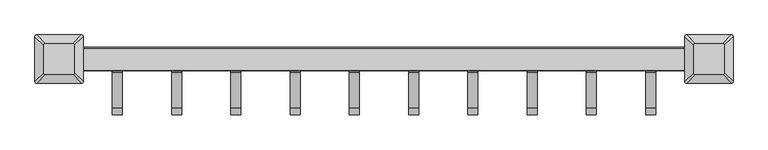
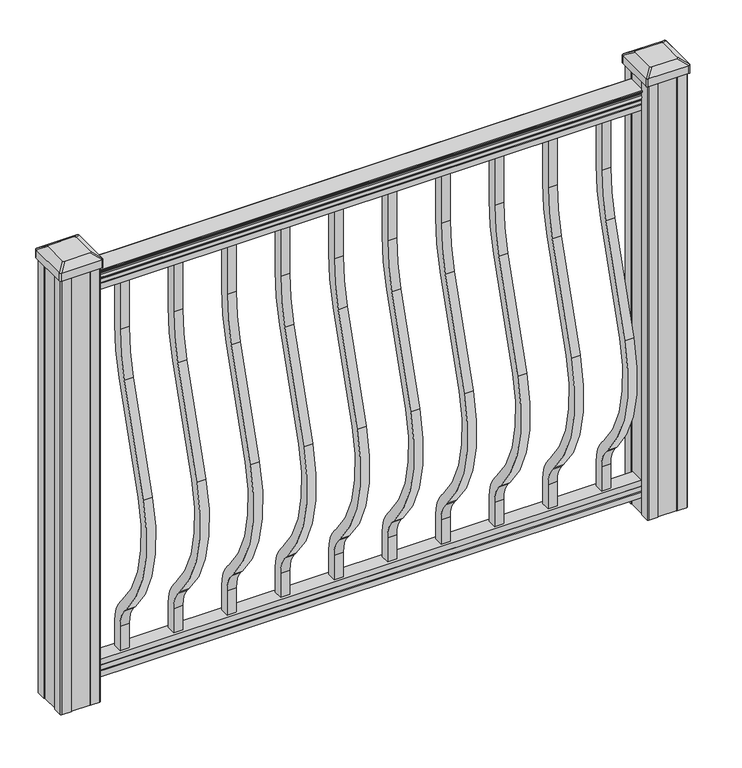
"""IFC4 building model written with IfcOpenShell, lengths in millimetres: proxy geometry."""

from ifc_helpers import new_model, si_unit, point, frame, frame_2d, origin, place, context, project, spatial, polyline, circle_curve, trimmed, segment, composite_curve, outline, extrude, source, transform, mapped, element, save
from ifc_brep_helpers import plane_surface, extruded_surface, advanced_brep


def specialty_equipment_56fbb6b7(model_context):
    return source(origin(), model_context, "Body", "SolidModel", [
        extrude(outline(composite_curve([segment(polyline([(9.525, 914.4), (9.525, 806.73216)]), True, "CONTINUOUS"), segment(trimmed(circle_curve(frame_2d((-360.0, 806.73216)), 369.525), [point((9.525, 806.73216))], [point((-6.6214851, 698.6935058))], False, "CARTESIAN"), True, "CONTINUOUS"), segment(polyline([(-6.6214851, 698.6935058), (-74.4487629, 476.8404766)]), True, "CONTINUOUS"), segment(trimmed(circle_curve(frame_2d((184.207766, 397.7612397)), 270.475), [point((-74.4487629, 476.8404766))], [point((-17.4747286, 217.5366659))], True, "CARTESIAN"), True, "CONTINUOUS"), segment(polyline([(-17.4747286, 217.5366659), (-11.9730553, 211.3799518)]), True, "CONTINUOUS"), segment(trimmed(circle_curve(frame_2d((-75.0, 155.0587313)), 84.525), [point((-11.9730553, 211.3799518))], [point((9.525, 155.0587313))], False, "CARTESIAN"), True, "CONTINUOUS"), segment(polyline([(9.525, 155.0587313), (9.525, 101.6), (-9.525, 101.6), (-9.525, 155.0587313)]), True, "CONTINUOUS"), segment(trimmed(circle_curve(frame_2d((-75.0, 155.0587313)), 65.475), [point((-9.525, 155.0587313))], [point((-26.1778858, 198.686438))], True, "CARTESIAN"), True, "CONTINUOUS"), segment(polyline([(-26.1778858, 198.686438), (-31.6795591, 204.8431522)]), True, "CONTINUOUS"), segment(trimmed(circle_curve(frame_2d((184.207766, 397.7612397)), 289.525), [point((-31.6795591, 204.8431522))], [point((-92.6663685, 482.4101576))], False, "CARTESIAN"), True, "CONTINUOUS"), segment(polyline([(-92.6663685, 482.4101576), (-24.8390907, 704.2631868)]), True, "CONTINUOUS"), segment(trimmed(circle_curve(frame_2d((-360.0, 806.73216)), 350.475), [point((-24.8390907, 704.2631868))], [point((-9.525, 806.73216))], True, "CARTESIAN"), True, "CONTINUOUS"), segment(polyline([(-9.525, 806.73216), (-9.525, 914.4), (9.525, 914.4)]), True, "CONTINUOUS")], self_intersect=False)), frame((379.4125, 0.0, 0.0), z_axis=(1.0, 0.0, 0.0), x_axis=(0.0, 1.0, 0.0)), (0.0, 0.0, 1.0), 19.05),
        extrude(outline(composite_curve([segment(polyline([(9.525, 914.4), (9.525, 806.73216)]), True, "CONTINUOUS"), segment(trimmed(circle_curve(frame_2d((-360.0, 806.73216)), 369.525), [point((9.525, 806.73216))], [point((-6.6214851, 698.6935058))], False, "CARTESIAN"), True, "CONTINUOUS"), segment(polyline([(-6.6214851, 698.6935058), (-74.4487629, 476.8404766)]), True, "CONTINUOUS"), segment(trimmed(circle_curve(frame_2d((184.207766, 397.7612397)), 270.475), [point((-74.4487629, 476.8404766))], [point((-17.4747286, 217.5366659))], True, "CARTESIAN"), True, "CONTINUOUS"), segment(polyline([(-17.4747286, 217.5366659), (-11.9730553, 211.3799518)]), True, "CONTINUOUS"), segment(trimmed(circle_curve(frame_2d((-75.0, 155.0587313)), 84.525), [point((-11.9730553, 211.3799518))], [point((9.525, 155.0587313))], False, "CARTESIAN"), True, "CONTINUOUS"), segment(polyline([(9.525, 155.0587313), (9.525, 101.6), (-9.525, 101.6), (-9.525, 155.0587313)]), True, "CONTINUOUS"), segment(trimmed(circle_curve(frame_2d((-75.0, 155.0587313)), 65.475), [point((-9.525, 155.0587313))], [point((-26.1778858, 198.686438))], True, "CARTESIAN"), True, "CONTINUOUS"), segment(polyline([(-26.1778858, 198.686438), (-31.6795591, 204.8431522)]), True, "CONTINUOUS"), segment(trimmed(circle_curve(frame_2d((184.207766, 397.7612397)), 289.525), [point((-31.6795591, 204.8431522))], [point((-92.6663685, 482.4101576))], False, "CARTESIAN"), True, "CONTINUOUS"), segment(polyline([(-92.6663685, 482.4101576), (-24.8390907, 704.2631868)]), True, "CONTINUOUS"), segment(trimmed(circle_curve(frame_2d((-360.0, 806.73216)), 350.475), [point((-24.8390907, 704.2631868))], [point((-9.525, 806.73216))], True, "CARTESIAN"), True, "CONTINUOUS"), segment(polyline([(-9.525, 806.73216), (-9.525, 914.4), (9.525, 914.4)]), True, "CONTINUOUS")], self_intersect=False)), frame((268.2875, 0.0, 0.0), z_axis=(1.0, 0.0, 0.0), x_axis=(0.0, 1.0, 0.0)), (0.0, 0.0, 1.0), 19.05),
        extrude(outline(composite_curve([segment(polyline([(9.525, 914.4), (9.525, 806.73216)]), True, "CONTINUOUS"), segment(trimmed(circle_curve(frame_2d((-360.0, 806.73216)), 369.525), [point((9.525, 806.73216))], [point((-6.6214851, 698.6935058))], False, "CARTESIAN"), True, "CONTINUOUS"), segment(polyline([(-6.6214851, 698.6935058), (-74.4487629, 476.8404766)]), True, "CONTINUOUS"), segment(trimmed(circle_curve(frame_2d((184.207766, 397.7612397)), 270.475), [point((-74.4487629, 476.8404766))], [point((-17.4747286, 217.5366659))], True, "CARTESIAN"), True, "CONTINUOUS"), segment(polyline([(-17.4747286, 217.5366659), (-11.9730553, 211.3799518)]), True, "CONTINUOUS"), segment(trimmed(circle_curve(frame_2d((-75.0, 155.0587313)), 84.525), [point((-11.9730553, 211.3799518))], [point((9.525, 155.0587313))], False, "CARTESIAN"), True, "CONTINUOUS"), segment(polyline([(9.525, 155.0587313), (9.525, 101.6), (-9.525, 101.6), (-9.525, 155.0587313)]), True, "CONTINUOUS"), segment(trimmed(circle_curve(frame_2d((-75.0, 155.0587313)), 65.475), [point((-9.525, 155.0587313))], [point((-26.1778858, 198.686438))], True, "CARTESIAN"), True, "CONTINUOUS"), segment(polyline([(-26.1778858, 198.686438), (-31.6795591, 204.8431522)]), True, "CONTINUOUS"), segment(trimmed(circle_curve(frame_2d((184.207766, 397.7612397)), 289.525), [point((-31.6795591, 204.8431522))], [point((-92.6663685, 482.4101576))], False, "CARTESIAN"), True, "CONTINUOUS"), segment(polyline([(-92.6663685, 482.4101576), (-24.8390907, 704.2631868)]), True, "CONTINUOUS"), segment(trimmed(circle_curve(frame_2d((-360.0, 806.73216)), 350.475), [point((-24.8390907, 704.2631868))], [point((-9.525, 806.73216))], True, "CARTESIAN"), True, "CONTINUOUS"), segment(polyline([(-9.525, 806.73216), (-9.525, 914.4), (9.525, 914.4)]), True, "CONTINUOUS")], self_intersect=False)), frame((157.1625, 0.0, 0.0), z_axis=(1.0, 0.0, 0.0), x_axis=(0.0, 1.0, 0.0)), (0.0, 0.0, 1.0), 19.05),
        extrude(outline(composite_curve([segment(polyline([(9.525, 914.4), (9.525, 806.73216)]), True, "CONTINUOUS"), segment(trimmed(circle_curve(frame_2d((-360.0, 806.73216)), 369.525), [point((9.525, 806.73216))], [point((-6.6214851, 698.6935058))], False, "CARTESIAN"), True, "CONTINUOUS"), segment(polyline([(-6.6214851, 698.6935058), (-74.4487629, 476.8404766)]), True, "CONTINUOUS"), segment(trimmed(circle_curve(frame_2d((184.207766, 397.7612397)), 270.475), [point((-74.4487629, 476.8404766))], [point((-17.4747286, 217.5366659))], True, "CARTESIAN"), True, "CONTINUOUS"), segment(polyline([(-17.4747286, 217.5366659), (-11.9730553, 211.3799518)]), True, "CONTINUOUS"), segment(trimmed(circle_curve(frame_2d((-75.0, 155.0587313)), 84.525), [point((-11.9730553, 211.3799518))], [point((9.525, 155.0587313))], False, "CARTESIAN"), True, "CONTINUOUS"), segment(polyline([(9.525, 155.0587313), (9.525, 101.6), (-9.525, 101.6), (-9.525, 155.0587313)]), True, "CONTINUOUS"), segment(trimmed(circle_curve(frame_2d((-75.0, 155.0587313)), 65.475), [point((-9.525, 155.0587313))], [point((-26.1778858, 198.686438))], True, "CARTESIAN"), True, "CONTINUOUS"), segment(polyline([(-26.1778858, 198.686438), (-31.6795591, 204.8431522)]), True, "CONTINUOUS"), segment(trimmed(circle_curve(frame_2d((184.207766, 397.7612397)), 289.525), [point((-31.6795591, 204.8431522))], [point((-92.6663685, 482.4101576))], False, "CARTESIAN"), True, "CONTINUOUS"), segment(polyline([(-92.6663685, 482.4101576), (-24.8390907, 704.2631868)]), True, "CONTINUOUS"), segment(trimmed(circle_curve(frame_2d((-360.0, 806.73216)), 350.475), [point((-24.8390907, 704.2631868))], [point((-9.525, 806.73216))], True, "CARTESIAN"), True, "CONTINUOUS"), segment(polyline([(-9.525, 806.73216), (-9.525, 914.4), (9.525, 914.4)]), True, "CONTINUOUS")], self_intersect=False)), frame((46.0375, 0.0, 0.0), z_axis=(1.0, 0.0, 0.0), x_axis=(0.0, 1.0, 0.0)), (0.0, 0.0, 1.0), 19.05),
        extrude(outline(composite_curve([segment(polyline([(9.525, 914.4), (9.525, 806.73216)]), True, "CONTINUOUS"), segment(trimmed(circle_curve(frame_2d((-360.0, 806.73216)), 369.525), [point((9.525, 806.73216))], [point((-6.6214851, 698.6935058))], False, "CARTESIAN"), True, "CONTINUOUS"), segment(polyline([(-6.6214851, 698.6935058), (-74.4487629, 476.8404766)]), True, "CONTINUOUS"), segment(trimmed(circle_curve(frame_2d((184.207766, 397.7612397)), 270.475), [point((-74.4487629, 476.8404766))], [point((-17.4747286, 217.5366659))], True, "CARTESIAN"), True, "CONTINUOUS"), segment(polyline([(-17.4747286, 217.5366659), (-11.9730553, 211.3799518)]), True, "CONTINUOUS"), segment(trimmed(circle_curve(frame_2d((-75.0, 155.0587313)), 84.525), [point((-11.9730553, 211.3799518))], [point((9.525, 155.0587313))], False, "CARTESIAN"), True, "CONTINUOUS"), segment(polyline([(9.525, 155.0587313), (9.525, 101.6), (-9.525, 101.6), (-9.525, 155.0587313)]), True, "CONTINUOUS"), segment(trimmed(circle_curve(frame_2d((-75.0, 155.0587313)), 65.475), [point((-9.525, 155.0587313))], [point((-26.1778858, 198.686438))], True, "CARTESIAN"), True, "CONTINUOUS"), segment(polyline([(-26.1778858, 198.686438), (-31.6795591, 204.8431522)]), True, "CONTINUOUS"), segment(trimmed(circle_curve(frame_2d((184.207766, 397.7612397)), 289.525), [point((-31.6795591, 204.8431522))], [point((-92.6663685, 482.4101576))], False, "CARTESIAN"), True, "CONTINUOUS"), segment(polyline([(-92.6663685, 482.4101576), (-24.8390907, 704.2631868)]), True, "CONTINUOUS"), segment(trimmed(circle_curve(frame_2d((-360.0, 806.73216)), 350.475), [point((-24.8390907, 704.2631868))], [point((-9.525, 806.73216))], True, "CARTESIAN"), True, "CONTINUOUS"), segment(polyline([(-9.525, 806.73216), (-9.525, 914.4), (9.525, 914.4)]), True, "CONTINUOUS")], self_intersect=False)), frame((-65.0875, 0.0, 0.0), z_axis=(1.0, 0.0, 0.0), x_axis=(0.0, 1.0, 0.0)), (0.0, 0.0, 1.0), 19.05),
        extrude(outline(composite_curve([segment(polyline([(9.525, 914.4), (9.525, 806.73216)]), True, "CONTINUOUS"), segment(trimmed(circle_curve(frame_2d((-360.0, 806.73216)), 369.525), [point((9.525, 806.73216))], [point((-6.6214851, 698.6935058))], False, "CARTESIAN"), True, "CONTINUOUS"), segment(polyline([(-6.6214851, 698.6935058), (-74.4487629, 476.8404766)]), True, "CONTINUOUS"), segment(trimmed(circle_curve(frame_2d((184.207766, 397.7612397)), 270.475), [point((-74.4487629, 476.8404766))], [point((-17.4747286, 217.5366659))], True, "CARTESIAN"), True, "CONTINUOUS"), segment(polyline([(-17.4747286, 217.5366659), (-11.9730553, 211.3799518)]), True, "CONTINUOUS"), segment(trimmed(circle_curve(frame_2d((-75.0, 155.0587313)), 84.525), [point((-11.9730553, 211.3799518))], [point((9.525, 155.0587313))], False, "CARTESIAN"), True, "CONTINUOUS"), segment(polyline([(9.525, 155.0587313), (9.525, 101.6), (-9.525, 101.6), (-9.525, 155.0587313)]), True, "CONTINUOUS"), segment(trimmed(circle_curve(frame_2d((-75.0, 155.0587313)), 65.475), [point((-9.525, 155.0587313))], [point((-26.1778858, 198.686438))], True, "CARTESIAN"), True, "CONTINUOUS"), segment(polyline([(-26.1778858, 198.686438), (-31.6795591, 204.8431522)]), True, "CONTINUOUS"), segment(trimmed(circle_curve(frame_2d((184.207766, 397.7612397)), 289.525), [point((-31.6795591, 204.8431522))], [point((-92.6663685, 482.4101576))], False, "CARTESIAN"), True, "CONTINUOUS"), segment(polyline([(-92.6663685, 482.4101576), (-24.8390907, 704.2631868)]), True, "CONTINUOUS"), segment(trimmed(circle_curve(frame_2d((-360.0, 806.73216)), 350.475), [point((-24.8390907, 704.2631868))], [point((-9.525, 806.73216))], True, "CARTESIAN"), True, "CONTINUOUS"), segment(polyline([(-9.525, 806.73216), (-9.525, 914.4), (9.525, 914.4)]), True, "CONTINUOUS")], self_intersect=False)), frame((-176.2125, 0.0, 0.0), z_axis=(1.0, 0.0, 0.0), x_axis=(0.0, 1.0, 0.0)), (0.0, 0.0, 1.0), 19.05),
        extrude(outline(composite_curve([segment(polyline([(9.525, 914.4), (9.525, 806.73216)]), True, "CONTINUOUS"), segment(trimmed(circle_curve(frame_2d((-360.0, 806.73216)), 369.525), [point((9.525, 806.73216))], [point((-6.6214851, 698.6935058))], False, "CARTESIAN"), True, "CONTINUOUS"), segment(polyline([(-6.6214851, 698.6935058), (-74.4487629, 476.8404766)]), True, "CONTINUOUS"), segment(trimmed(circle_curve(frame_2d((184.207766, 397.7612397)), 270.475), [point((-74.4487629, 476.8404766))], [point((-17.4747286, 217.5366659))], True, "CARTESIAN"), True, "CONTINUOUS"), segment(polyline([(-17.4747286, 217.5366659), (-11.9730553, 211.3799518)]), True, "CONTINUOUS"), segment(trimmed(circle_curve(frame_2d((-75.0, 155.0587313)), 84.525), [point((-11.9730553, 211.3799518))], [point((9.525, 155.0587313))], False, "CARTESIAN"), True, "CONTINUOUS"), segment(polyline([(9.525, 155.0587313), (9.525, 101.6), (-9.525, 101.6), (-9.525, 155.0587313)]), True, "CONTINUOUS"), segment(trimmed(circle_curve(frame_2d((-75.0, 155.0587313)), 65.475), [point((-9.525, 155.0587313))], [point((-26.1778858, 198.686438))], True, "CARTESIAN"), True, "CONTINUOUS"), segment(polyline([(-26.1778858, 198.686438), (-31.6795591, 204.8431522)]), True, "CONTINUOUS"), segment(trimmed(circle_curve(frame_2d((184.207766, 397.7612397)), 289.525), [point((-31.6795591, 204.8431522))], [point((-92.6663685, 482.4101576))], False, "CARTESIAN"), True, "CONTINUOUS"), segment(polyline([(-92.6663685, 482.4101576), (-24.8390907, 704.2631868)]), True, "CONTINUOUS"), segment(trimmed(circle_curve(frame_2d((-360.0, 806.73216)), 350.475), [point((-24.8390907, 704.2631868))], [point((-9.525, 806.73216))], True, "CARTESIAN"), True, "CONTINUOUS"), segment(polyline([(-9.525, 806.73216), (-9.525, 914.4), (9.525, 914.4)]), True, "CONTINUOUS")], self_intersect=False)), frame((-287.3375, 0.0, 0.0), z_axis=(1.0, 0.0, 0.0), x_axis=(0.0, 1.0, 0.0)), (0.0, 0.0, 1.0), 19.05),
        extrude(outline(composite_curve([segment(polyline([(9.525, 914.4), (9.525, 806.73216)]), True, "CONTINUOUS"), segment(trimmed(circle_curve(frame_2d((-360.0, 806.73216)), 369.525), [point((9.525, 806.73216))], [point((-6.6214851, 698.6935058))], False, "CARTESIAN"), True, "CONTINUOUS"), segment(polyline([(-6.6214851, 698.6935058), (-74.4487629, 476.8404766)]), True, "CONTINUOUS"), segment(trimmed(circle_curve(frame_2d((184.207766, 397.7612397)), 270.475), [point((-74.4487629, 476.8404766))], [point((-17.4747286, 217.5366659))], True, "CARTESIAN"), True, "CONTINUOUS"), segment(polyline([(-17.4747286, 217.5366659), (-11.9730553, 211.3799518)]), True, "CONTINUOUS"), segment(trimmed(circle_curve(frame_2d((-75.0, 155.0587313)), 84.525), [point((-11.9730553, 211.3799518))], [point((9.525, 155.0587313))], False, "CARTESIAN"), True, "CONTINUOUS"), segment(polyline([(9.525, 155.0587313), (9.525, 101.6), (-9.525, 101.6), (-9.525, 155.0587313)]), True, "CONTINUOUS"), segment(trimmed(circle_curve(frame_2d((-75.0, 155.0587313)), 65.475), [point((-9.525, 155.0587313))], [point((-26.1778858, 198.686438))], True, "CARTESIAN"), True, "CONTINUOUS"), segment(polyline([(-26.1778858, 198.686438), (-31.6795591, 204.8431522)]), True, "CONTINUOUS"), segment(trimmed(circle_curve(frame_2d((184.207766, 397.7612397)), 289.525), [point((-31.6795591, 204.8431522))], [point((-92.6663685, 482.4101576))], False, "CARTESIAN"), True, "CONTINUOUS"), segment(polyline([(-92.6663685, 482.4101576), (-24.8390907, 704.2631868)]), True, "CONTINUOUS"), segment(trimmed(circle_curve(frame_2d((-360.0, 806.73216)), 350.475), [point((-24.8390907, 704.2631868))], [point((-9.525, 806.73216))], True, "CARTESIAN"), True, "CONTINUOUS"), segment(polyline([(-9.525, 806.73216), (-9.525, 914.4), (9.525, 914.4)]), True, "CONTINUOUS")], self_intersect=False)), frame((-398.4625, 0.0, 0.0), z_axis=(1.0, 0.0, 0.0), x_axis=(0.0, 1.0, 0.0)), (0.0, 0.0, 1.0), 19.05),
        extrude(outline(composite_curve([segment(polyline([(9.525, 914.4), (9.525, 806.73216)]), True, "CONTINUOUS"), segment(trimmed(circle_curve(frame_2d((-360.0, 806.73216)), 369.525), [point((9.525, 806.73216))], [point((-6.6214851, 698.6935058))], False, "CARTESIAN"), True, "CONTINUOUS"), segment(polyline([(-6.6214851, 698.6935058), (-74.4487629, 476.8404766)]), True, "CONTINUOUS"), segment(trimmed(circle_curve(frame_2d((184.207766, 397.7612397)), 270.475), [point((-74.4487629, 476.8404766))], [point((-17.4747286, 217.5366659))], True, "CARTESIAN"), True, "CONTINUOUS"), segment(polyline([(-17.4747286, 217.5366659), (-11.9730553, 211.3799518)]), True, "CONTINUOUS"), segment(trimmed(circle_curve(frame_2d((-75.0, 155.0587313)), 84.525), [point((-11.9730553, 211.3799518))], [point((9.525, 155.0587313))], False, "CARTESIAN"), True, "CONTINUOUS"), segment(polyline([(9.525, 155.0587313), (9.525, 101.6), (-9.525, 101.6), (-9.525, 155.0587313)]), True, "CONTINUOUS"), segment(trimmed(circle_curve(frame_2d((-75.0, 155.0587313)), 65.475), [point((-9.525, 155.0587313))], [point((-26.1778858, 198.686438))], True, "CARTESIAN"), True, "CONTINUOUS"), segment(polyline([(-26.1778858, 198.686438), (-31.6795591, 204.8431522)]), True, "CONTINUOUS"), segment(trimmed(circle_curve(frame_2d((184.207766, 397.7612397)), 289.525), [point((-31.6795591, 204.8431522))], [point((-92.6663685, 482.4101576))], False, "CARTESIAN"), True, "CONTINUOUS"), segment(polyline([(-92.6663685, 482.4101576), (-24.8390907, 704.2631868)]), True, "CONTINUOUS"), segment(trimmed(circle_curve(frame_2d((-360.0, 806.73216)), 350.475), [point((-24.8390907, 704.2631868))], [point((-9.525, 806.73216))], True, "CARTESIAN"), True, "CONTINUOUS"), segment(polyline([(-9.525, 806.73216), (-9.525, 914.4), (9.525, 914.4)]), True, "CONTINUOUS")], self_intersect=False)), frame((490.5375, 0.0, 0.0), z_axis=(1.0, 0.0, 0.0), x_axis=(0.0, 1.0, 0.0)), (0.0, 0.0, 1.0), 19.05),
        extrude(outline(composite_curve([segment(polyline([(9.525, 914.4), (9.525, 806.73216)]), True, "CONTINUOUS"), segment(trimmed(circle_curve(frame_2d((-360.0, 806.73216)), 369.525), [point((9.525, 806.73216))], [point((-6.6214851, 698.6935058))], False, "CARTESIAN"), True, "CONTINUOUS"), segment(polyline([(-6.6214851, 698.6935058), (-74.4487629, 476.8404766)]), True, "CONTINUOUS"), segment(trimmed(circle_curve(frame_2d((184.207766, 397.7612397)), 270.475), [point((-74.4487629, 476.8404766))], [point((-17.4747286, 217.5366659))], True, "CARTESIAN"), True, "CONTINUOUS"), segment(polyline([(-17.4747286, 217.5366659), (-11.9730553, 211.3799518)]), True, "CONTINUOUS"), segment(trimmed(circle_curve(frame_2d((-75.0, 155.0587313)), 84.525), [point((-11.9730553, 211.3799518))], [point((9.525, 155.0587313))], False, "CARTESIAN"), True, "CONTINUOUS"), segment(polyline([(9.525, 155.0587313), (9.525, 101.6), (-9.525, 101.6), (-9.525, 155.0587313)]), True, "CONTINUOUS"), segment(trimmed(circle_curve(frame_2d((-75.0, 155.0587313)), 65.475), [point((-9.525, 155.0587313))], [point((-26.1778858, 198.686438))], True, "CARTESIAN"), True, "CONTINUOUS"), segment(polyline([(-26.1778858, 198.686438), (-31.6795591, 204.8431522)]), True, "CONTINUOUS"), segment(trimmed(circle_curve(frame_2d((184.207766, 397.7612397)), 289.525), [point((-31.6795591, 204.8431522))], [point((-92.6663685, 482.4101576))], False, "CARTESIAN"), True, "CONTINUOUS"), segment(polyline([(-92.6663685, 482.4101576), (-24.8390907, 704.2631868)]), True, "CONTINUOUS"), segment(trimmed(circle_curve(frame_2d((-360.0, 806.73216)), 350.475), [point((-24.8390907, 704.2631868))], [point((-9.525, 806.73216))], True, "CARTESIAN"), True, "CONTINUOUS"), segment(polyline([(-9.525, 806.73216), (-9.525, 914.4), (9.525, 914.4)]), True, "CONTINUOUS")], self_intersect=False)), frame((-509.5875, 0.0, 0.0), z_axis=(1.0, 0.0, 0.0), x_axis=(0.0, 1.0, 0.0)), (0.0, 0.0, 1.0), 19.05),
        extrude(outline(composite_curve([segment(polyline([(938.4043297, 17.4328287), (940.292412, 17.4328287)]), True, "CONTINUOUS"), segment(trimmed(circle_curve(frame_2d((946.0506383, 11.1180755)), 8.545951), [point((940.292412, 17.4328287))], [point((941.8546695, 18.563015))], False, "CARTESIAN"), True, "CONTINUOUS"), segment(trimmed(circle_curve(frame_2d((945.4636577, 11.5551384)), 7.882584), [point((941.8546695, 18.563015))], [point((949.0726458, 18.563015))], False, "CARTESIAN"), True, "CONTINUOUS"), segment(trimmed(circle_curve(frame_2d((951.3112527, 22.0684625)), 4.1592695), [point((949.0726458, 18.563015))], [point((951.5060812, 17.9137586))], True, "CARTESIAN"), True, "CONTINUOUS"), segment(trimmed(circle_curve(frame_2d((951.2508864, 23.3557691)), 5.4479907), [point((951.5060812, 17.9137586))], [point((955.8362083, 20.4137586))], True, "CARTESIAN"), True, "CONTINUOUS"), segment(trimmed(circle_curve(frame_2d((955.833395, 22.1226107)), 1.7088543), [point((955.8362083, 20.4137586))], [point((957.5157972, 21.8231011))], True, "CARTESIAN"), True, "CONTINUOUS"), segment(trimmed(circle_curve(frame_2d((958.6205318, 20.5057106)), 1.7192895), [point((957.5157972, 21.8231011))], [point((958.6205318, 22.2250001))], False, "CARTESIAN"), True, "CONTINUOUS"), segment(polyline([(958.6205318, 22.2250001), (959.9608158, 22.225)]), True, "CONTINUOUS"), segment(trimmed(circle_curve(frame_2d((959.9608158, 20.6715528)), 1.5534472), [point((959.9608158, 22.225))], [point((961.514263, 20.6715528))], False, "CARTESIAN"), True, "CONTINUOUS"), segment(polyline([(961.514263, 20.6715528), (961.514263, -20.6715528)]), True, "CONTINUOUS"), segment(trimmed(circle_curve(frame_2d((959.9608158, -20.6715528)), 1.5534472), [point((961.514263, -20.6715528))], [point((959.9608158, -22.225))], False, "CARTESIAN"), True, "CONTINUOUS"), segment(polyline([(959.9608158, -22.225), (958.6205318, -22.225)]), True, "CONTINUOUS"), segment(trimmed(circle_curve(frame_2d((958.6205318, -20.5057106)), 1.7192895), [point((958.6205318, -22.225))], [point((957.5157972, -21.8231011))], False, "CARTESIAN"), True, "CONTINUOUS"), segment(trimmed(circle_curve(frame_2d((955.833395, -22.1226107)), 1.7088543), [point((957.5157972, -21.8231011))], [point((955.8362083, -20.4137586))], True, "CARTESIAN"), True, "CONTINUOUS"), segment(trimmed(circle_curve(frame_2d((951.2508864, -23.3557691)), 5.4479907), [point((955.8362083, -20.4137586))], [point((951.5060812, -17.9137586))], True, "CARTESIAN"), True, "CONTINUOUS"), segment(trimmed(circle_curve(frame_2d((951.3112527, -22.0684625)), 4.1592695), [point((951.5060812, -17.9137586))], [point((949.0726458, -18.563015))], True, "CARTESIAN"), True, "CONTINUOUS"), segment(trimmed(circle_curve(frame_2d((945.4636577, -11.5551384)), 7.882584), [point((949.0726458, -18.563015))], [point((941.8546695, -18.563015))], False, "CARTESIAN"), True, "CONTINUOUS"), segment(trimmed(circle_curve(frame_2d((946.0506383, -11.1180755)), 8.545951), [point((941.8546695, -18.563015))], [point((940.292412, -17.4328287))], False, "CARTESIAN"), True, "CONTINUOUS"), segment(polyline([(940.292412, -17.4328287), (938.4043297, -17.4328287)]), True, "CONTINUOUS"), segment(trimmed(circle_curve(frame_2d((938.4043297, -16.1459144)), 1.2869144), [point((938.4043297, -17.4328287))], [point((938.4043297, -14.859))], False, "CARTESIAN"), True, "CONTINUOUS"), segment(polyline([(938.4043297, -14.859), (927.9048283, -14.859), (926.8888283, -15.875), (914.4, -15.875), (914.4, 15.875), (926.731013, 15.875), (927.747013, 14.859), (938.4043297, 14.859)]), True, "CONTINUOUS"), segment(trimmed(circle_curve(frame_2d((938.4043297, 16.1459144)), 1.2869144), [point((938.4043297, 14.859))], [point((938.4043297, 17.4328287))], False, "CARTESIAN"), True, "CONTINUOUS")], self_intersect=False)), frame((609.6, 0.0, 0.0), z_axis=(-1.0, 0.0, 0.0), x_axis=(0.0, 0.0, 1.0)), (0.0, 0.0, 1.0), 1219.2),
        extrude(outline(polyline([(-15.9124869, 76.0541976), (-14.8964869, 77.3546183), (-14.8964869, 87.7141717), (-15.9124869, 89.0624492), (-15.9124869, 101.5958781), (15.8375131, 101.5958781), (15.8375131, 89.0458024), (14.8215131, 87.6975248), (14.8215131, 77.3858283), (15.8375131, 76.0375508), (15.8375131, 63.5), (-15.9124869, 63.5), (-15.9124869, 76.0541976)])), frame((-609.6, 0.0, 0.0), z_axis=(1.0, 0.0, 0.0), x_axis=(0.0, 1.0, 0.0)), (0.0, 0.0, 1.0), 1219.2),
        advanced_brep(
        [(583.803125, 28.971875, 1012.825), (580.628125, 25.796875, 1012.825), (580.628125, -25.796875, 1012.825), (583.803125, -28.971875, 1012.825), (635.396875, -28.971875, 1012.825), (638.571875, -25.796875, 1012.825), (638.571875, 25.796875, 1012.825), (635.396875, 28.971875, 1012.825), (567.53125, 45.24375, 1001.522), (651.66875, 45.24375, 1001.522), (654.84375, 42.06875, 1001.522), (654.84375, -42.06875, 1001.522), (651.66875, -45.24375, 1001.522), (567.53125, -45.24375, 1001.522), (564.35625, -42.06875, 1001.522), (564.35625, 42.06875, 1001.522)],
        [
            (0, 1, circle_curve(frame((583.803125, 25.796875, 1012.825), z_axis=(0.0, 0.0, 1.0), x_axis=(0.0, -1.0, 0.0)), 3.175)),
            (1, 2),
            (2, 3, circle_curve(frame((583.803125, -25.796875, 1012.825), z_axis=(0.0, 0.0, 1.0), x_axis=(0.0, -1.0, 0.0)), 3.175)),
            (3, 4),
            (4, 5, circle_curve(frame((635.396875, -25.796875, 1012.825), z_axis=(0.0, 0.0, 1.0), x_axis=(0.0, -1.0, 0.0)), 3.175)),
            (5, 6),
            (6, 7, circle_curve(frame((635.396875, 25.796875, 1012.825), z_axis=(0.0, 0.0, 1.0), x_axis=(0.0, -1.0, 0.0)), 3.175)),
            (7, 0),
            (8, 9),
            (9, 10, circle_curve(frame((651.66875, 42.06875, 1001.522), z_axis=(0.0, 0.0, -1.0), x_axis=(0.0, -1.0, 0.0)), 3.175)),
            (10, 11),
            (11, 12, circle_curve(frame((651.66875, -42.06875, 1001.522), z_axis=(0.0, 0.0, -1.0), x_axis=(0.0, -1.0, 0.0)), 3.175)),
            (12, 13),
            (13, 14, circle_curve(frame((567.53125, -42.06875, 1001.522), z_axis=(0.0, 0.0, -1.0), x_axis=(0.0, -1.0, 0.0)), 3.175)),
            (14, 15),
            (15, 8, circle_curve(frame((567.53125, 42.06875, 1001.522), z_axis=(0.0, 0.0, -1.0), x_axis=(0.0, -1.0, 0.0)), 3.175)),
            (15, 1),
            (0, 8),
            (14, 2),
            (13, 3),
            (12, 4),
            (11, 5),
            (10, 6),
            (9, 7),
        ],
        [
            plane_surface(frame((609.6, 0.0, 1012.825), z_axis=(0.0, 0.0, 1.0), x_axis=(-1.0, 0.0, 0.0))),
            plane_surface(frame((609.6, 0.0, 1001.522), z_axis=(0.0, 0.0, -1.0), x_axis=(-1.0, 0.0, 0.0))),
            extruded_surface(trimmed(circle_curve(frame((567.53125, 42.06875, 1001.522), z_axis=(0.0, 0.0, 1.0), x_axis=(0.0, -1.0, 0.0)), 3.175), [point((567.53125, 45.24375, 1001.522))], [point((564.35625, 42.06875, 1001.522))], True, "CARTESIAN"), (16.271875000000023, -16.271875, 11.302999999999997), 25.637972638866177),
            plane_surface(frame((564.35625, 0.0, 1001.522), z_axis=(-0.5705009161540779, 0.0, 0.8212969649690408), x_axis=(0.0, -1.0, 0.0))),
            extruded_surface(trimmed(circle_curve(frame((567.53125, -42.06875, 1001.522), z_axis=(0.0, 0.0, 1.0), x_axis=(0.0, -1.0, 0.0)), 3.175), [point((564.35625, -42.06875, 1001.522))], [point((567.53125, -45.24375, 1001.522))], True, "CARTESIAN"), (16.271875000000023, 16.271875, 11.302999999999997), 25.637972638866177),
            plane_surface(frame((609.6, -45.24375, 1001.522), z_axis=(0.0, -0.5705009161540291, 0.8212969649690747), x_axis=(1.0, 0.0, 0.0))),
            extruded_surface(trimmed(circle_curve(frame((651.66875, -42.06875, 1001.522), z_axis=(0.0, 0.0, 1.0), x_axis=(0.0, -1.0, 0.0)), 3.175), [point((651.66875, -45.24375, 1001.522))], [point((654.84375, -42.06875, 1001.522))], True, "CARTESIAN"), (-16.271875000000023, 16.271875, 11.302999999999997), 25.637972638866177),
            plane_surface(frame((654.84375, 0.0, 1001.522), z_axis=(0.5705009161540141, 0.0, 0.8212969649690851), x_axis=(0.0, 1.0, 0.0))),
            extruded_surface(trimmed(circle_curve(frame((651.66875, 42.06875, 1001.522), z_axis=(0.0, 0.0, 1.0), x_axis=(0.0, -1.0, 0.0)), 3.175), [point((654.84375, 42.06875, 1001.522))], [point((651.66875, 45.24375, 1001.522))], True, "CARTESIAN"), (-16.271875000000023, -16.271875, 11.302999999999997), 25.637972638866177),
            plane_surface(frame((609.6, 45.24375, 1001.522), z_axis=(0.0, 0.570500916154034, 0.8212969649690713), x_axis=(-1.0, 0.0, 0.0))),
        ],
        [
            (0, [[1, 2, 3, 4, 5, 6, 7, 8]]),
            (1, [[9, 10, 11, 12, 13, 14, 15, 16]]),
            (2, [[-16, 17, -1, 18]]),
            (3, [[-15, 19, -2, -17]]),
            (4, [[-14, 20, -3, -19]]),
            (5, [[-13, 21, -4, -20]]),
            (6, [[-12, 22, -5, -21]]),
            (7, [[-11, 23, -6, -22]]),
            (8, [[-10, 24, -7, -23]]),
            (9, [[-9, -18, -8, -24]]),
        ],
    ),
        extrude(outline(composite_curve([segment(polyline([(567.53125, 45.24375), (651.66875, 45.24375)]), True, "CONTINUOUS"), segment(trimmed(circle_curve(frame_2d((651.66875, 42.06875)), 3.175), [point((651.66875, 45.24375))], [point((654.84375, 42.06875))], False, "CARTESIAN"), True, "CONTINUOUS"), segment(polyline([(654.84375, 42.06875), (654.84375, -42.06875)]), True, "CONTINUOUS"), segment(trimmed(circle_curve(frame_2d((651.66875, -42.06875)), 3.175), [point((654.84375, -42.06875))], [point((651.66875, -45.24375))], False, "CARTESIAN"), True, "CONTINUOUS"), segment(polyline([(651.66875, -45.24375), (567.53125, -45.24375)]), True, "CONTINUOUS"), segment(trimmed(circle_curve(frame_2d((567.53125, -42.06875)), 3.175), [point((567.53125, -45.24375))], [point((564.35625, -42.06875))], False, "CARTESIAN"), True, "CONTINUOUS"), segment(polyline([(564.35625, -42.06875), (564.35625, 42.06875)]), True, "CONTINUOUS"), segment(trimmed(circle_curve(frame_2d((567.53125, 42.06875)), 3.175), [point((564.35625, 42.06875))], [point((567.53125, 45.24375))], False, "CARTESIAN"), True, "CONTINUOUS")], self_intersect=False)), frame((0.0, 0.0, 984.25), z_axis=(0.0, 0.0, 1.0), x_axis=(1.0, 0.0, 0.0)), (0.0, 0.0, 1.0), 17.272),
        extrude(outline(polyline([(569.9125, 41.275), (589.534, 41.275), (590.296, 39.6875), (628.904, 39.6875), (629.666, 41.275), (649.2875, 41.275), (650.875, 39.6875), (650.875, 20.066), (649.2875, 19.304), (649.2875, -19.304), (650.875, -20.066), (650.875, -39.6875), (649.2875, -41.275), (629.666, -41.275), (628.904, -39.6875), (590.296, -39.6875), (589.534, -41.275), (569.9125, -41.275), (568.325, -39.6875), (568.325, -20.066), (569.9125, -19.304), (569.9125, 19.304), (568.325, 20.066), (568.325, 39.6875), (569.9125, 41.275)])), frame((0.0, 0.0, 28.575), z_axis=(0.0, 0.0, 1.0), x_axis=(1.0, 0.0, 0.0)), (0.0, 0.0, 1.0), 955.675),
        advanced_brep(
        [(-635.396875, 28.971875, 1012.825), (-638.571875, 25.796875, 1012.825), (-638.571875, -25.796875, 1012.825), (-635.396875, -28.971875, 1012.825), (-583.803125, -28.971875, 1012.825), (-580.628125, -25.796875, 1012.825), (-580.628125, 25.796875, 1012.825), (-583.803125, 28.971875, 1012.825), (-651.66875, 45.24375, 1001.522), (-567.53125, 45.24375, 1001.522), (-564.35625, 42.06875, 1001.522), (-564.35625, -42.06875, 1001.522), (-567.53125, -45.24375, 1001.522), (-651.66875, -45.24375, 1001.522), (-654.84375, -42.06875, 1001.522), (-654.84375, 42.06875, 1001.522)],
        [
            (0, 1, circle_curve(frame((-635.396875, 25.796875, 1012.825), z_axis=(0.0, 0.0, 1.0), x_axis=(0.0, -1.0, 0.0)), 3.175)),
            (1, 2),
            (2, 3, circle_curve(frame((-635.396875, -25.796875, 1012.825), z_axis=(0.0, 0.0, 1.0), x_axis=(0.0, -1.0, 0.0)), 3.175)),
            (3, 4),
            (4, 5, circle_curve(frame((-583.803125, -25.796875, 1012.825), z_axis=(0.0, 0.0, 1.0), x_axis=(0.0, -1.0, 0.0)), 3.175)),
            (5, 6),
            (6, 7, circle_curve(frame((-583.803125, 25.796875, 1012.825), z_axis=(0.0, 0.0, 1.0), x_axis=(0.0, -1.0, 0.0)), 3.175)),
            (7, 0),
            (8, 9),
            (9, 10, circle_curve(frame((-567.53125, 42.06875, 1001.522), z_axis=(0.0, 0.0, -1.0), x_axis=(0.0, -1.0, 0.0)), 3.175)),
            (10, 11),
            (11, 12, circle_curve(frame((-567.53125, -42.06875, 1001.522), z_axis=(0.0, 0.0, -1.0), x_axis=(0.0, -1.0, 0.0)), 3.175)),
            (12, 13),
            (13, 14, circle_curve(frame((-651.66875, -42.06875, 1001.522), z_axis=(0.0, 0.0, -1.0), x_axis=(0.0, -1.0, 0.0)), 3.175)),
            (14, 15),
            (15, 8, circle_curve(frame((-651.66875, 42.06875, 1001.522), z_axis=(0.0, 0.0, -1.0), x_axis=(0.0, -1.0, 0.0)), 3.175)),
            (15, 1),
            (0, 8),
            (14, 2),
            (13, 3),
            (12, 4),
            (11, 5),
            (10, 6),
            (9, 7),
        ],
        [
            plane_surface(frame((-609.6, 0.0, 1012.825), z_axis=(0.0, 0.0, 1.0), x_axis=(-1.0, 0.0, 0.0))),
            plane_surface(frame((-609.6, 0.0, 1001.522), z_axis=(0.0, 0.0, -1.0), x_axis=(-1.0, 0.0, 0.0))),
            extruded_surface(trimmed(circle_curve(frame((-651.66875, 42.06875, 1001.522), z_axis=(0.0, 0.0, 1.0), x_axis=(0.0, -1.0, 0.0)), 3.175), [point((-651.66875, 45.24375, 1001.522))], [point((-654.84375, 42.06875, 1001.522))], True, "CARTESIAN"), (16.271875000000023, -16.271875, 11.302999999999997), 25.637972638866177),
            plane_surface(frame((-654.84375, 0.0, 1001.522), z_axis=(-0.5705009161540779, 0.0, 0.8212969649690408), x_axis=(0.0, -1.0, 0.0))),
            extruded_surface(trimmed(circle_curve(frame((-651.66875, -42.06875, 1001.522), z_axis=(0.0, 0.0, 1.0), x_axis=(0.0, -1.0, 0.0)), 3.175), [point((-654.84375, -42.06875, 1001.522))], [point((-651.66875, -45.24375, 1001.522))], True, "CARTESIAN"), (16.271875000000023, 16.271875, 11.302999999999997), 25.637972638866177),
            plane_surface(frame((-609.6, -45.24375, 1001.522), z_axis=(0.0, -0.5705009161540291, 0.8212969649690747), x_axis=(1.0, 0.0, 0.0))),
            extruded_surface(trimmed(circle_curve(frame((-567.53125, -42.06875, 1001.522), z_axis=(0.0, 0.0, 1.0), x_axis=(0.0, -1.0, 0.0)), 3.175), [point((-567.53125, -45.24375, 1001.522))], [point((-564.35625, -42.06875, 1001.522))], True, "CARTESIAN"), (-16.271875000000023, 16.271875, 11.302999999999997), 25.637972638866177),
            plane_surface(frame((-564.35625, 0.0, 1001.522), z_axis=(0.5705009161540141, 0.0, 0.8212969649690851), x_axis=(0.0, 1.0, 0.0))),
            extruded_surface(trimmed(circle_curve(frame((-567.53125, 42.06875, 1001.522), z_axis=(0.0, 0.0, 1.0), x_axis=(0.0, -1.0, 0.0)), 3.175), [point((-564.35625, 42.06875, 1001.522))], [point((-567.53125, 45.24375, 1001.522))], True, "CARTESIAN"), (-16.271875000000023, -16.271875, 11.302999999999997), 25.637972638866177),
            plane_surface(frame((-609.6, 45.24375, 1001.522), z_axis=(0.0, 0.570500916154034, 0.8212969649690713), x_axis=(-1.0, 0.0, 0.0))),
        ],
        [
            (0, [[1, 2, 3, 4, 5, 6, 7, 8]]),
            (1, [[9, 10, 11, 12, 13, 14, 15, 16]]),
            (2, [[-16, 17, -1, 18]]),
            (3, [[-15, 19, -2, -17]]),
            (4, [[-14, 20, -3, -19]]),
            (5, [[-13, 21, -4, -20]]),
            (6, [[-12, 22, -5, -21]]),
            (7, [[-11, 23, -6, -22]]),
            (8, [[-10, 24, -7, -23]]),
            (9, [[-9, -18, -8, -24]]),
        ],
    ),
        extrude(outline(composite_curve([segment(polyline([(-651.66875, 45.24375), (-567.53125, 45.24375)]), True, "CONTINUOUS"), segment(trimmed(circle_curve(frame_2d((-567.53125, 42.06875)), 3.175), [point((-567.53125, 45.24375))], [point((-564.35625, 42.06875))], False, "CARTESIAN"), True, "CONTINUOUS"), segment(polyline([(-564.35625, 42.06875), (-564.35625, -42.06875)]), True, "CONTINUOUS"), segment(trimmed(circle_curve(frame_2d((-567.53125, -42.06875)), 3.175), [point((-564.35625, -42.06875))], [point((-567.53125, -45.24375))], False, "CARTESIAN"), True, "CONTINUOUS"), segment(polyline([(-567.53125, -45.24375), (-651.66875, -45.24375)]), True, "CONTINUOUS"), segment(trimmed(circle_curve(frame_2d((-651.66875, -42.06875)), 3.175), [point((-651.66875, -45.24375))], [point((-654.84375, -42.06875))], False, "CARTESIAN"), True, "CONTINUOUS"), segment(polyline([(-654.84375, -42.06875), (-654.84375, 42.06875)]), True, "CONTINUOUS"), segment(trimmed(circle_curve(frame_2d((-651.66875, 42.06875)), 3.175), [point((-654.84375, 42.06875))], [point((-651.66875, 45.24375))], False, "CARTESIAN"), True, "CONTINUOUS")], self_intersect=False)), frame((0.0, 0.0, 984.25), z_axis=(0.0, 0.0, 1.0), x_axis=(1.0, 0.0, 0.0)), (0.0, 0.0, 1.0), 17.272),
        extrude(outline(polyline([(-649.2875, 41.275), (-629.666, 41.275), (-628.904, 39.6875), (-590.296, 39.6875), (-589.534, 41.275), (-569.9125, 41.275), (-568.325, 39.6875), (-568.325, 20.066), (-569.9125, 19.304), (-569.9125, -19.304), (-568.325, -20.066), (-568.325, -39.6875), (-569.9125, -41.275), (-589.534, -41.275), (-590.296, -39.6875), (-628.904, -39.6875), (-629.666, -41.275), (-649.2875, -41.275), (-650.875, -39.6875), (-650.875, -20.066), (-649.2875, -19.304), (-649.2875, 19.304), (-650.875, 20.066), (-650.875, 39.6875), (-649.2875, 41.275)])), frame((0.0, 0.0, 28.575), z_axis=(0.0, 0.0, 1.0), x_axis=(1.0, 0.0, 0.0)), (0.0, 0.0, 1.0), 955.675),
    ])


if __name__ == "__main__":
    model = new_model("IFC4")
    model_context = context("Model", 3, world=origin())
    ifc_project = project(units=[si_unit("LENGTHUNIT", "METRE", prefix="MILLI")], contexts=[model_context])
    site = spatial("IfcSite", under=ifc_project)
    building = spatial("IfcBuilding", under=site)
    placement = place(None, origin())
    specialty_equipment_shape = specialty_equipment_56fbb6b7(model_context)
    element("IfcBuildingElementProxy", 1, Name="Specialty Equipment", at=placement, inside=building, context=model_context, shape_type="MappedRepresentation", body=[
        mapped(specialty_equipment_shape, transform((0.0, 0.0, 0.0), x_axis=(1.0, 0.0, 0.0), y_axis=(0.0, 1.0, 0.0), z_axis=(0.0, 0.0, 1.0))),
    ])
    save(model, "model.ifc")
